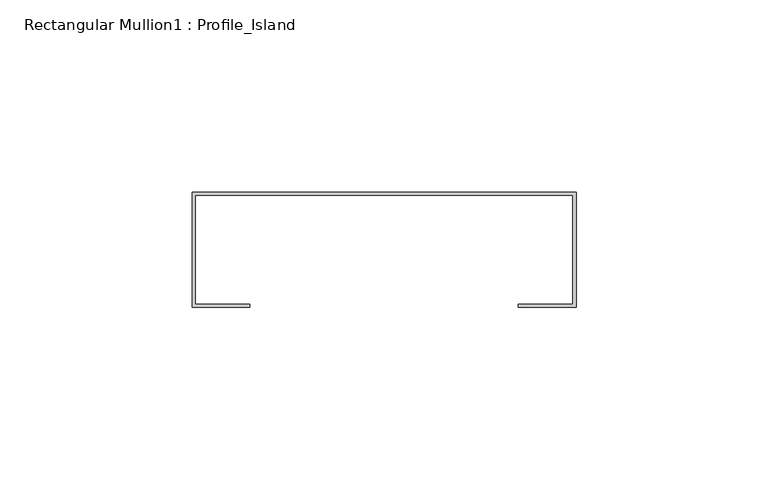
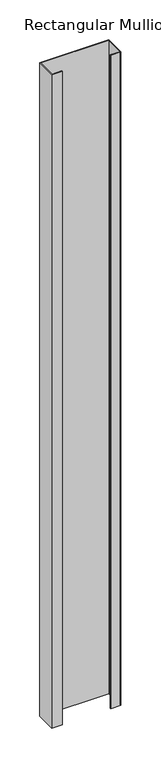
"""IFC4 building model written with IfcOpenShell, lengths in millimetres: member geometry, Rectangular Mullion1 : Profile_Island."""

from ifc_helpers import new_model, si_unit, frame, origin, place, context, project, spatial, polyline, outline, extrude, source, transform, mapped, element, save


def rectangular_mullion1_profile_island_a87cb0d9(model_context):
    return source(origin(), model_context, "Body", "SweptSolid", [
        extrude(outline(polyline([(50.0, 32.0), (50.0, 2.0), (35.0, 2.0), (35.0, 2.8), (49.2, 2.8), (49.2, 31.2), (-49.2, 31.2), (-49.2, 2.8), (-35.0, 2.8), (-35.0, 2.0), (-50.0, 2.0), (-50.0, 32.0), (50.0, 32.0)])), frame((0.0, 0.0, -1000.500017), z_axis=(0.0, 0.0, 1.0), x_axis=(1.0, 0.0, 0.0)), (0.0, 0.0, 1.0), 1000.500017),
    ])


if __name__ == "__main__":
    model = new_model("IFC4")
    model_context = context("Model", 3, world=origin())
    ifc_project = project(units=[si_unit("LENGTHUNIT", "METRE", prefix="MILLI")], contexts=[model_context])
    site = spatial("IfcSite", under=ifc_project)
    building = spatial("IfcBuilding", under=site)
    placement = place(None, origin())
    rectangular_mullion1_profile_island_shape = rectangular_mullion1_profile_island_a87cb0d9(model_context)
    element("IfcMember", 1, ObjectType="Rectangular Mullion1 : Profile_Island", at=placement, inside=building, context=model_context, shape_type="MappedRepresentation", body=[
        mapped(rectangular_mullion1_profile_island_shape, transform((0.0, 0.0, 0.0), x_axis=(1.0, 0.0, 0.0), y_axis=(0.0, 1.0, 0.0), z_axis=(0.0, 0.0, 1.0))),
    ])
    save(model, "model.ifc")
